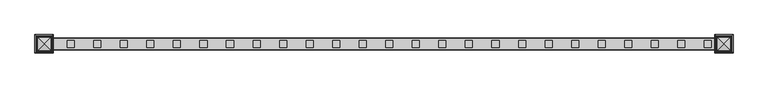
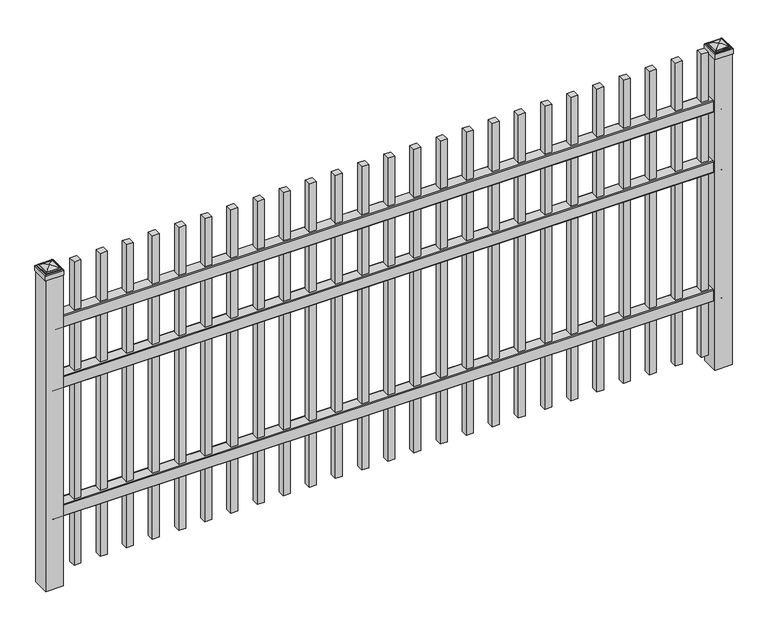
"""IFC4 building model written with IfcOpenShell, lengths in millimetres: railing geometry."""

from ifc_helpers import new_model, si_unit, point, frame, frame_2d, origin, origin_with_axes, place, context, project, spatial, polyline, circle_curve, ellipse_curve, trimmed, segment, composite_curve, outline, extrude, source, transform, mapped, element, save
from ifc_brep_helpers import plane_surface, cylinder_surface, advanced_brep


def railing_751b38dd(model_context):
    return source(origin(), model_context, "Body", "SolidModel", [
        extrude(outline(composite_curve([segment(polyline([(13397.9139761, 304.8), (13435.969541, 304.8)]), True, "CONTINUOUS"), segment(trimmed(circle_curve(frame_2d((13435.969541, 301.625)), 3.175), [point((13435.969541, 304.8))], [point((13439.144541, 301.625))], False, "CARTESIAN"), True, "CONTINUOUS"), segment(polyline([(13439.144541, 301.625), (13439.144541, 262.1439893)]), True, "CONTINUOUS"), segment(trimmed(circle_curve(frame_2d((13437.3505518, 262.1439893)), 1.7939893), [point((13439.144541, 262.1439893))], [point((13437.3505518, 260.35))], False, "CARTESIAN"), True, "CONTINUOUS"), segment(polyline([(13437.3505518, 260.35), (13434.7590713, 260.35)]), True, "CONTINUOUS"), segment(trimmed(circle_curve(frame_2d((13434.7590713, 262.1359375)), 1.7859375), [point((13434.7590713, 260.35))], [point((13432.9755813, 262.0424688))], False, "CARTESIAN"), True, "CONTINUOUS"), segment(polyline([(13432.9755813, 262.0424688), (13431.4025867, 292.0569942), (13402.4364954, 292.0569942), (13400.8635007, 262.0424688)]), True, "CONTINUOUS"), segment(trimmed(circle_curve(frame_2d((13399.0800108, 262.1359375)), 1.7859375), [point((13400.8635007, 262.0424688))], [point((13399.0800108, 260.35))], False, "CARTESIAN"), True, "CONTINUOUS"), segment(polyline([(13399.0800108, 260.35), (13396.4804785, 260.35)]), True, "CONTINUOUS"), segment(trimmed(circle_curve(frame_2d((13396.4804785, 262.1359375)), 1.7859375), [point((13396.4804785, 260.35))], [point((13394.694541, 262.1359375))], False, "CARTESIAN"), True, "CONTINUOUS"), segment(polyline([(13394.694541, 262.1359375), (13394.694541, 301.5805649)]), True, "CONTINUOUS"), segment(trimmed(circle_curve(frame_2d((13397.9139761, 301.5805649)), 3.2194351), [point((13394.694541, 301.5805649))], [point((13397.9139761, 304.8))], False, "CARTESIAN"), True, "CONTINUOUS")], self_intersect=False)), frame((6913.3350064, 0.0, 0.0), z_axis=(1.0, 0.0, 0.0), x_axis=(0.0, 1.0, 0.0)), (0.0, 0.0, 1.0), 2438.4),
        extrude(outline(composite_curve([segment(polyline([(13397.9139761, 800.1), (13435.969541, 800.1)]), True, "CONTINUOUS"), segment(trimmed(circle_curve(frame_2d((13435.969541, 796.925)), 3.175), [point((13435.969541, 800.1))], [point((13439.144541, 796.925))], False, "CARTESIAN"), True, "CONTINUOUS"), segment(polyline([(13439.144541, 796.925), (13439.144541, 757.4439893)]), True, "CONTINUOUS"), segment(trimmed(circle_curve(frame_2d((13437.3505518, 757.4439893)), 1.7939893), [point((13439.144541, 757.4439893))], [point((13437.3505518, 755.65))], False, "CARTESIAN"), True, "CONTINUOUS"), segment(polyline([(13437.3505518, 755.65), (13434.7590713, 755.65)]), True, "CONTINUOUS"), segment(trimmed(circle_curve(frame_2d((13434.7590713, 757.4359375)), 1.7859375), [point((13434.7590713, 755.65))], [point((13432.9755813, 757.3424688))], False, "CARTESIAN"), True, "CONTINUOUS"), segment(polyline([(13432.9755813, 757.3424688), (13431.4025867, 787.3569942), (13402.4364954, 787.3569942), (13400.8635007, 757.3424688)]), True, "CONTINUOUS"), segment(trimmed(circle_curve(frame_2d((13399.0800108, 757.4359375)), 1.7859375), [point((13400.8635007, 757.3424688))], [point((13399.0800108, 755.65))], False, "CARTESIAN"), True, "CONTINUOUS"), segment(polyline([(13399.0800108, 755.65), (13396.4804785, 755.65)]), True, "CONTINUOUS"), segment(trimmed(circle_curve(frame_2d((13396.4804785, 757.4359375)), 1.7859375), [point((13396.4804785, 755.65))], [point((13394.694541, 757.4359375))], False, "CARTESIAN"), True, "CONTINUOUS"), segment(polyline([(13394.694541, 757.4359375), (13394.694541, 796.8805649)]), True, "CONTINUOUS"), segment(trimmed(circle_curve(frame_2d((13397.9139761, 796.8805649)), 3.2194351), [point((13394.694541, 796.8805649))], [point((13397.9139761, 800.1))], False, "CARTESIAN"), True, "CONTINUOUS")], self_intersect=False)), frame((6913.3350064, 0.0, 0.0), z_axis=(1.0, 0.0, 0.0), x_axis=(0.0, 1.0, 0.0)), (0.0, 0.0, 1.0), 2438.4),
        extrude(outline(composite_curve([segment(polyline([(13397.9139761, 1033.4625), (13435.969541, 1033.4625)]), True, "CONTINUOUS"), segment(trimmed(circle_curve(frame_2d((13435.969541, 1030.2875)), 3.175), [point((13435.969541, 1033.4625))], [point((13439.144541, 1030.2875))], False, "CARTESIAN"), True, "CONTINUOUS"), segment(polyline([(13439.144541, 1030.2875), (13439.144541, 990.8064893)]), True, "CONTINUOUS"), segment(trimmed(circle_curve(frame_2d((13437.3505518, 990.8064893)), 1.7939893), [point((13439.144541, 990.8064893))], [point((13437.3505518, 989.0125))], False, "CARTESIAN"), True, "CONTINUOUS"), segment(polyline([(13437.3505518, 989.0125), (13434.7590713, 989.0125)]), True, "CONTINUOUS"), segment(trimmed(circle_curve(frame_2d((13434.7590713, 990.7984375)), 1.7859375), [point((13434.7590713, 989.0125))], [point((13432.9755813, 990.7049688))], False, "CARTESIAN"), True, "CONTINUOUS"), segment(polyline([(13432.9755813, 990.7049688), (13431.4025867, 1020.7194942), (13402.4364954, 1020.7194942), (13400.8635007, 990.7049688)]), True, "CONTINUOUS"), segment(trimmed(circle_curve(frame_2d((13399.0800108, 990.7984375)), 1.7859375), [point((13400.8635007, 990.7049688))], [point((13399.0800108, 989.0125))], False, "CARTESIAN"), True, "CONTINUOUS"), segment(polyline([(13399.0800108, 989.0125), (13396.4804785, 989.0125)]), True, "CONTINUOUS"), segment(trimmed(circle_curve(frame_2d((13396.4804785, 990.7984375)), 1.7859375), [point((13396.4804785, 989.0125))], [point((13394.694541, 990.7984375))], False, "CARTESIAN"), True, "CONTINUOUS"), segment(polyline([(13394.694541, 990.7984375), (13394.694541, 1030.2430649)]), True, "CONTINUOUS"), segment(trimmed(circle_curve(frame_2d((13397.9139761, 1030.2430649)), 3.2194351), [point((13394.694541, 1030.2430649))], [point((13397.9139761, 1033.4625))], False, "CARTESIAN"), True, "CONTINUOUS")], self_intersect=False)), frame((6913.3350064, 0.0, 0.0), z_axis=(1.0, 0.0, 0.0), x_axis=(0.0, 1.0, 0.0)), (0.0, 0.0, 1.0), 2438.4),
        extrude(outline(polyline([(9281.8850064, 13429.619541), (9307.2850064, 13429.619541), (9307.2850064, 13404.219541), (9281.8850064, 13404.219541), (9281.8850064, 13429.619541)])), frame((0.0, 0.0, 50.8), z_axis=(0.0, 0.0, 1.0), x_axis=(1.0, 0.0, 0.0)), (0.0, 0.0, 1.0), 1168.4),
        extrude(outline(polyline([(9186.6350064, 13429.619541), (9212.0350064, 13429.619541), (9212.0350064, 13404.219541), (9186.6350064, 13404.219541), (9186.6350064, 13429.619541)])), frame((0.0, 0.0, 50.8), z_axis=(0.0, 0.0, 1.0), x_axis=(1.0, 0.0, 0.0)), (0.0, 0.0, 1.0), 1168.4),
        extrude(outline(polyline([(9091.3850064, 13429.619541), (9116.7850064, 13429.619541), (9116.7850064, 13404.219541), (9091.3850064, 13404.219541), (9091.3850064, 13429.619541)])), frame((0.0, 0.0, 50.8), z_axis=(0.0, 0.0, 1.0), x_axis=(1.0, 0.0, 0.0)), (0.0, 0.0, 1.0), 1168.4),
        extrude(outline(polyline([(8996.1350064, 13429.619541), (9021.5350064, 13429.619541), (9021.5350064, 13404.219541), (8996.1350064, 13404.219541), (8996.1350064, 13429.619541)])), frame((0.0, 0.0, 50.8), z_axis=(0.0, 0.0, 1.0), x_axis=(1.0, 0.0, 0.0)), (0.0, 0.0, 1.0), 1168.4),
        extrude(outline(polyline([(8900.8850064, 13429.619541), (8926.2850064, 13429.619541), (8926.2850064, 13404.219541), (8900.8850064, 13404.219541), (8900.8850064, 13429.619541)])), frame((0.0, 0.0, 50.8), z_axis=(0.0, 0.0, 1.0), x_axis=(1.0, 0.0, 0.0)), (0.0, 0.0, 1.0), 1168.4),
        extrude(outline(polyline([(8805.6350064, 13429.619541), (8831.0350064, 13429.619541), (8831.0350064, 13404.219541), (8805.6350064, 13404.219541), (8805.6350064, 13429.619541)])), frame((0.0, 0.0, 50.8), z_axis=(0.0, 0.0, 1.0), x_axis=(1.0, 0.0, 0.0)), (0.0, 0.0, 1.0), 1168.4),
        extrude(outline(polyline([(8710.3850064, 13429.619541), (8735.7850064, 13429.619541), (8735.7850064, 13404.219541), (8710.3850064, 13404.219541), (8710.3850064, 13429.619541)])), frame((0.0, 0.0, 50.8), z_axis=(0.0, 0.0, 1.0), x_axis=(1.0, 0.0, 0.0)), (0.0, 0.0, 1.0), 1168.4),
        extrude(outline(polyline([(8615.1350064, 13429.619541), (8640.5350064, 13429.619541), (8640.5350064, 13404.219541), (8615.1350064, 13404.219541), (8615.1350064, 13429.619541)])), frame((0.0, 0.0, 50.8), z_axis=(0.0, 0.0, 1.0), x_axis=(1.0, 0.0, 0.0)), (0.0, 0.0, 1.0), 1168.4),
        extrude(outline(polyline([(8519.8850064, 13429.619541), (8545.2850064, 13429.619541), (8545.2850064, 13404.219541), (8519.8850064, 13404.219541), (8519.8850064, 13429.619541)])), frame((0.0, 0.0, 50.8), z_axis=(0.0, 0.0, 1.0), x_axis=(1.0, 0.0, 0.0)), (0.0, 0.0, 1.0), 1168.4),
        extrude(outline(polyline([(8424.6350064, 13429.619541), (8450.0350064, 13429.619541), (8450.0350064, 13404.219541), (8424.6350064, 13404.219541), (8424.6350064, 13429.619541)])), frame((0.0, 0.0, 50.8), z_axis=(0.0, 0.0, 1.0), x_axis=(1.0, 0.0, 0.0)), (0.0, 0.0, 1.0), 1168.4),
        extrude(outline(polyline([(8329.3850064, 13429.619541), (8354.7850064, 13429.619541), (8354.7850064, 13404.219541), (8329.3850064, 13404.219541), (8329.3850064, 13429.619541)])), frame((0.0, 0.0, 50.8), z_axis=(0.0, 0.0, 1.0), x_axis=(1.0, 0.0, 0.0)), (0.0, 0.0, 1.0), 1168.4),
        extrude(outline(polyline([(8234.1350064, 13429.619541), (8259.5350064, 13429.619541), (8259.5350064, 13404.219541), (8234.1350064, 13404.219541), (8234.1350064, 13429.619541)])), frame((0.0, 0.0, 50.8), z_axis=(0.0, 0.0, 1.0), x_axis=(1.0, 0.0, 0.0)), (0.0, 0.0, 1.0), 1168.4),
        extrude(outline(polyline([(8138.8850064, 13429.619541), (8164.2850064, 13429.619541), (8164.2850064, 13404.219541), (8138.8850064, 13404.219541), (8138.8850064, 13429.619541)])), frame((0.0, 0.0, 50.8), z_axis=(0.0, 0.0, 1.0), x_axis=(1.0, 0.0, 0.0)), (0.0, 0.0, 1.0), 1168.4),
        extrude(outline(polyline([(8043.6350064, 13429.619541), (8069.0350064, 13429.619541), (8069.0350064, 13404.219541), (8043.6350064, 13404.219541), (8043.6350064, 13429.619541)])), frame((0.0, 0.0, 50.8), z_axis=(0.0, 0.0, 1.0), x_axis=(1.0, 0.0, 0.0)), (0.0, 0.0, 1.0), 1168.4),
        extrude(outline(polyline([(7948.3850064, 13429.619541), (7973.7850064, 13429.619541), (7973.7850064, 13404.219541), (7948.3850064, 13404.219541), (7948.3850064, 13429.619541)])), frame((0.0, 0.0, 50.8), z_axis=(0.0, 0.0, 1.0), x_axis=(1.0, 0.0, 0.0)), (0.0, 0.0, 1.0), 1168.4),
        extrude(outline(polyline([(7853.1350064, 13429.619541), (7878.5350064, 13429.619541), (7878.5350064, 13404.219541), (7853.1350064, 13404.219541), (7853.1350064, 13429.619541)])), frame((0.0, 0.0, 50.8), z_axis=(0.0, 0.0, 1.0), x_axis=(1.0, 0.0, 0.0)), (0.0, 0.0, 1.0), 1168.4),
        extrude(outline(polyline([(7757.8850064, 13429.619541), (7783.2850064, 13429.619541), (7783.2850064, 13404.219541), (7757.8850064, 13404.219541), (7757.8850064, 13429.619541)])), frame((0.0, 0.0, 50.8), z_axis=(0.0, 0.0, 1.0), x_axis=(1.0, 0.0, 0.0)), (0.0, 0.0, 1.0), 1168.4),
        extrude(outline(polyline([(7662.6350064, 13429.619541), (7688.0350064, 13429.619541), (7688.0350064, 13404.219541), (7662.6350064, 13404.219541), (7662.6350064, 13429.619541)])), frame((0.0, 0.0, 50.8), z_axis=(0.0, 0.0, 1.0), x_axis=(1.0, 0.0, 0.0)), (0.0, 0.0, 1.0), 1168.4),
        extrude(outline(polyline([(7567.3850064, 13429.619541), (7592.7850064, 13429.619541), (7592.7850064, 13404.219541), (7567.3850064, 13404.219541), (7567.3850064, 13429.619541)])), frame((0.0, 0.0, 50.8), z_axis=(0.0, 0.0, 1.0), x_axis=(1.0, 0.0, 0.0)), (0.0, 0.0, 1.0), 1168.4),
        extrude(outline(polyline([(7472.1350064, 13429.619541), (7497.5350064, 13429.619541), (7497.5350064, 13404.219541), (7472.1350064, 13404.219541), (7472.1350064, 13429.619541)])), frame((0.0, 0.0, 50.8), z_axis=(0.0, 0.0, 1.0), x_axis=(1.0, 0.0, 0.0)), (0.0, 0.0, 1.0), 1168.4),
        extrude(outline(polyline([(7376.8850064, 13429.619541), (7402.2850064, 13429.619541), (7402.2850064, 13404.219541), (7376.8850064, 13404.219541), (7376.8850064, 13429.619541)])), frame((0.0, 0.0, 50.8), z_axis=(0.0, 0.0, 1.0), x_axis=(1.0, 0.0, 0.0)), (0.0, 0.0, 1.0), 1168.4),
        extrude(outline(polyline([(7281.6350064, 13429.619541), (7307.0350064, 13429.619541), (7307.0350064, 13404.219541), (7281.6350064, 13404.219541), (7281.6350064, 13429.619541)])), frame((0.0, 0.0, 50.8), z_axis=(0.0, 0.0, 1.0), x_axis=(1.0, 0.0, 0.0)), (0.0, 0.0, 1.0), 1168.4),
        extrude(outline(polyline([(7186.3850064, 13429.619541), (7211.7850064, 13429.619541), (7211.7850064, 13404.219541), (7186.3850064, 13404.219541), (7186.3850064, 13429.619541)])), frame((0.0, 0.0, 50.8), z_axis=(0.0, 0.0, 1.0), x_axis=(1.0, 0.0, 0.0)), (0.0, 0.0, 1.0), 1168.4),
        extrude(outline(polyline([(7091.1350064, 13429.619541), (7116.5350064, 13429.619541), (7116.5350064, 13404.219541), (7091.1350064, 13404.219541), (7091.1350064, 13429.619541)])), frame((0.0, 0.0, 50.8), z_axis=(0.0, 0.0, 1.0), x_axis=(1.0, 0.0, 0.0)), (0.0, 0.0, 1.0), 1168.4),
        extrude(outline(polyline([(6995.8850064, 13429.619541), (7021.2850064, 13429.619541), (7021.2850064, 13404.219541), (6995.8850064, 13404.219541), (6995.8850064, 13429.619541)])), frame((0.0, 0.0, 50.8), z_axis=(0.0, 0.0, 1.0), x_axis=(1.0, 0.0, 0.0)), (0.0, 0.0, 1.0), 1168.4),
        extrude(outline(polyline([(9383.4850064, 13448.669541), (9383.4850064, 13385.169541), (9319.9850064, 13385.169541), (9319.9850064, 13448.669541), (9383.4850064, 13448.669541)])), origin_with_axes(), (0.0, 0.0, 1.0), 1198.5625),
        advanced_brep(
        [(9318.3975064, 13450.257041, 1216.81875), (9318.3975064, 13450.257041, 1198.5625), (9318.3975064, 13383.582041, 1198.5625), (9318.3975064, 13383.582041, 1216.81875), (9320.7787564, 13447.875791, 1219.2), (9320.7787564, 13385.963291, 1219.2), (9323.1600064, 13445.494541, 1221.58125), (9323.1600064, 13445.494541, 1219.2), (9323.1600064, 13388.344541, 1219.2), (9323.1600064, 13388.344541, 1221.58125), (9325.5412564, 13443.113291, 1223.9625), (9325.5412564, 13390.725791, 1223.9625), (9351.7350064, 13416.919541, 1230.3125), (9327.9225064, 13440.732041, 1223.9625), (9327.9225064, 13393.107041, 1223.9625), (9385.0725064, 13383.582041, 1198.5625), (9385.0725064, 13383.582041, 1216.81875), (9382.6912564, 13385.963291, 1219.2), (9380.3100064, 13388.344541, 1219.2), (9380.3100064, 13388.344541, 1221.58125), (9377.9287564, 13390.725791, 1223.9625), (9375.5475064, 13393.107041, 1223.9625), (9385.0725064, 13450.257041, 1198.5625), (9385.0725064, 13450.257041, 1216.81875), (9382.6912564, 13447.875791, 1219.2), (9380.3100064, 13445.494541, 1219.2), (9380.3100064, 13445.494541, 1221.58125), (9377.9287564, 13443.113291, 1223.9625), (9375.5475064, 13440.732041, 1223.9625)],
        [
            (0, 1),
            (1, 2),
            (2, 3),
            (3, 0),
            (4, 0, ellipse_curve(frame((9320.7787564, 13447.875791, 1216.81875), z_axis=(-0.70710678118655, -0.7071067811865449, 0.0), x_axis=(-0.7071067811865448, 0.7071067811865501, 0.0)), 3.367596, 2.38125)),
            (3, 5, ellipse_curve(frame((9320.7787564, 13385.963291, 1216.81875), z_axis=(-0.7071067811865449, 0.70710678118655, 0.0), x_axis=(0.7071067811865499, 0.707106781186545, 0.0)), 3.367596, 2.38125)),
            (5, 4),
            (6, 7),
            (7, 8),
            (8, 9),
            (9, 6),
            (10, 6, ellipse_curve(frame((9325.5412564, 13443.113291, 1221.58125), z_axis=(-0.70710678118655, -0.7071067811865449, 0.0), x_axis=(-0.7071067811865448, 0.7071067811865501, 0.0)), 3.367596, 2.38125)),
            (9, 11, ellipse_curve(frame((9325.5412564, 13390.725791, 1221.58125), z_axis=(-0.7071067811865449, 0.70710678118655, 0.0), x_axis=(0.7071067811865499, 0.707106781186545, 0.0)), 3.367596, 2.38125)),
            (11, 10),
            (12, 13, ellipse_curve(frame((9351.7350064, 13416.919541, 1182.4890625), z_axis=(-0.70710678118655, -0.7071067811865449, 0.0), x_axis=(-0.7071067811865448, 0.7071067811865501, 0.0)), 67.6325539, 47.8234375)),
            (13, 14),
            (14, 12, ellipse_curve(frame((9351.7350064, 13416.919541, 1182.4890625), z_axis=(-0.7071067811865449, 0.70710678118655, 0.0), x_axis=(0.7071067811865499, 0.707106781186545, 0.0)), 67.6325539, 47.8234375)),
            (2, 15),
            (15, 16),
            (16, 3),
            (16, 17, ellipse_curve(frame((9382.6912564, 13385.963291, 1216.81875), z_axis=(-0.70710678118655, -0.707106781186545, 0.0), x_axis=(-0.707106781186545, 0.70710678118655, 0.0)), 3.367596, 2.38125)),
            (17, 5),
            (8, 18),
            (18, 19),
            (19, 9),
            (19, 20, ellipse_curve(frame((9377.9287564, 13390.725791, 1221.58125), z_axis=(-0.70710678118655, -0.707106781186545, 0.0), x_axis=(-0.707106781186545, 0.70710678118655, 0.0)), 3.367596, 2.38125)),
            (20, 11),
            (14, 21),
            (21, 12, ellipse_curve(frame((9351.7350064, 13416.919541, 1182.4890625), z_axis=(-0.70710678118655, -0.707106781186545, 0.0), x_axis=(-0.707106781186545, 0.70710678118655, 0.0)), 67.6325539, 47.8234375)),
            (15, 22),
            (22, 23),
            (23, 16),
            (23, 24, ellipse_curve(frame((9382.6912564, 13447.875791, 1216.81875), z_axis=(0.707106781186545, -0.7071067811865499, 0.0), x_axis=(-0.7071067811865497, -0.7071067811865452, 0.0)), 3.367596, 2.38125)),
            (24, 17),
            (18, 25),
            (25, 26),
            (26, 19),
            (26, 27, ellipse_curve(frame((9377.9287564, 13443.113291, 1221.58125), z_axis=(0.707106781186545, -0.7071067811865499, 0.0), x_axis=(-0.7071067811865497, -0.7071067811865452, 0.0)), 3.367596, 2.38125)),
            (27, 20),
            (21, 28),
            (28, 12, ellipse_curve(frame((9351.7350064, 13416.919541, 1182.4890625), z_axis=(0.707106781186545, -0.7071067811865499, 0.0), x_axis=(-0.7071067811865497, -0.7071067811865452, 0.0)), 67.6325539, 47.8234375)),
            (22, 1),
            (0, 23),
            (4, 24),
            (7, 25),
            (6, 26),
            (10, 27),
            (13, 28),
        ],
        [
            plane_surface(frame((9318.3975064, 13450.257041, 1198.5625), z_axis=(-1.0, 0.0, 0.0), x_axis=(0.0, -1.0, 0.0))),
            cylinder_surface(frame((9320.7787564, 13448.669541, 1216.81875), z_axis=(0.0, 1.0, 0.0), x_axis=(1.0, 0.0, 0.0)), 2.38125),
            plane_surface(frame((9323.1600064, 13445.494541, 1219.2), z_axis=(-1.0, 0.0, 0.0), x_axis=(0.0, -1.0, 0.0))),
            cylinder_surface(frame((9325.5412564, 13448.669541, 1221.58125), z_axis=(0.0, 1.0, 0.0), x_axis=(1.0, 0.0, 0.0)), 2.38125),
            cylinder_surface(frame((9351.7350064, 13448.669541, 1182.4890625), z_axis=(0.0, 1.0, 0.0), x_axis=(1.0, 0.0, 0.0)), 47.8234375),
            plane_surface(frame((9318.3975064, 13383.582041, 1198.5625), z_axis=(0.0, -1.0, 0.0), x_axis=(1.0, 0.0, 0.0))),
            cylinder_surface(frame((9319.9850064, 13385.963291, 1216.81875), z_axis=(-1.0, 0.0, 0.0), x_axis=(0.0, 1.0, 0.0)), 2.38125),
            plane_surface(frame((9323.1600064, 13388.344541, 1219.2), z_axis=(0.0, -1.0, 0.0), x_axis=(1.0, 0.0, 0.0))),
            cylinder_surface(frame((9319.9850064, 13390.725791, 1221.58125), z_axis=(-1.0, 0.0, 0.0), x_axis=(0.0, 1.0, 0.0)), 2.38125),
            cylinder_surface(frame((9319.9850064, 13416.919541, 1182.4890625), z_axis=(-1.0, 0.0, 0.0), x_axis=(0.0, 1.0, 0.0)), 47.8234375),
            plane_surface(frame((9385.0725064, 13383.582041, 1198.5625), z_axis=(1.0, 0.0, 0.0), x_axis=(0.0, 1.0, 0.0))),
            cylinder_surface(frame((9382.6912564, 13385.169541, 1216.81875), z_axis=(0.0, -1.0, 0.0), x_axis=(-1.0, 0.0, 0.0)), 2.38125),
            plane_surface(frame((9380.3100064, 13388.344541, 1219.2), z_axis=(1.0, 0.0, 0.0), x_axis=(0.0, 1.0, 0.0))),
            cylinder_surface(frame((9377.9287564, 13385.169541, 1221.58125), z_axis=(0.0, -1.0, 0.0), x_axis=(-1.0, 0.0, 0.0)), 2.38125),
            cylinder_surface(frame((9351.7350064, 13385.169541, 1182.4890625), z_axis=(0.0, -1.0, 0.0), x_axis=(-1.0, 0.0, 0.0)), 47.8234375),
            plane_surface(frame((9385.0725064, 13450.257041, 1198.5625), z_axis=(0.0, 1.0, 0.0), x_axis=(-1.0, 0.0, 0.0))),
            cylinder_surface(frame((9383.4850064, 13447.875791, 1216.81875), z_axis=(1.0, 0.0, 0.0), x_axis=(0.0, -1.0, 0.0)), 2.38125),
            plane_surface(frame((9382.6912564, 13447.875791, 1219.2), z_axis=(0.0, 0.0, 1.0), x_axis=(-1.0, 0.0, 0.0))),
            plane_surface(frame((9380.3100064, 13445.494541, 1219.2), z_axis=(0.0, 1.0, 0.0), x_axis=(-1.0, 0.0, 0.0))),
            cylinder_surface(frame((9383.4850064, 13443.113291, 1221.58125), z_axis=(1.0, 0.0, 0.0), x_axis=(0.0, -1.0, 0.0)), 2.38125),
            plane_surface(frame((9377.9287564, 13443.113291, 1223.9625), z_axis=(0.0, 0.0, 1.0), x_axis=(-1.0, 0.0, 0.0))),
            cylinder_surface(frame((9383.4850064, 13416.919541, 1182.4890625), z_axis=(1.0, 0.0, 0.0), x_axis=(0.0, -1.0, 0.0)), 47.8234375),
            plane_surface(frame((9351.7350064, 13416.919541, 1198.5625), z_axis=(0.0, 0.0, -1.0), x_axis=(-1.0, 0.0, 0.0))),
        ],
        [
            (0, [[1, 2, 3, 4]]),
            (1, [[5, -4, 6, 7]]),
            (2, [[8, 9, 10, 11]]),
            (3, [[12, -11, 13, 14]]),
            (4, [[15, 16, 17]]),
            (5, [[-3, 18, 19, 20]]),
            (6, [[-6, -20, 21, 22]]),
            (7, [[-10, 23, 24, 25]]),
            (8, [[-13, -25, 26, 27]]),
            (9, [[-17, 28, 29]]),
            (10, [[-19, 30, 31, 32]]),
            (11, [[-21, -32, 33, 34]]),
            (12, [[-24, 35, 36, 37]]),
            (13, [[-26, -37, 38, 39]]),
            (14, [[-29, 40, 41]]),
            (15, [[-31, 42, -1, 43]]),
            (16, [[-33, -43, -5, 44]]),
            (17, [[-22, -34, -44, -7], [45, -35, -23, -9]]),
            (18, [[-36, -45, -8, 46]]),
            (19, [[-38, -46, -12, 47]]),
            (20, [[-27, -39, -47, -14], [48, -40, -28, -16]]),
            (21, [[-41, -48, -15]]),
            (22, [[-42, -30, -18, -2]]),
        ],
    ),
        extrude(outline(polyline([(6945.0850064, 13448.669541), (6945.0850064, 13385.169541), (6881.5850064, 13385.169541), (6881.5850064, 13448.669541), (6945.0850064, 13448.669541)])), origin_with_axes(), (0.0, 0.0, 1.0), 1198.5625),
        advanced_brep(
        [(6879.9975064, 13450.257041, 1216.81875), (6879.9975064, 13450.257041, 1198.5625), (6879.9975064, 13383.582041, 1198.5625), (6879.9975064, 13383.582041, 1216.81875), (6882.3787564, 13447.875791, 1219.2), (6882.3787564, 13385.963291, 1219.2), (6884.7600064, 13445.494541, 1221.58125), (6884.7600064, 13445.494541, 1219.2), (6884.7600064, 13388.344541, 1219.2), (6884.7600064, 13388.344541, 1221.58125), (6887.1412564, 13443.113291, 1223.9625), (6887.1412564, 13390.725791, 1223.9625), (6913.3350064, 13416.919541, 1230.3125), (6889.5225064, 13440.732041, 1223.9625), (6889.5225064, 13393.107041, 1223.9625), (6946.6725064, 13383.582041, 1198.5625), (6946.6725064, 13383.582041, 1216.81875), (6944.2912564, 13385.963291, 1219.2), (6941.9100064, 13388.344541, 1219.2), (6941.9100064, 13388.344541, 1221.58125), (6939.5287564, 13390.725791, 1223.9625), (6937.1475064, 13393.107041, 1223.9625), (6946.6725064, 13450.257041, 1198.5625), (6946.6725064, 13450.257041, 1216.81875), (6944.2912564, 13447.875791, 1219.2), (6941.9100064, 13445.494541, 1219.2), (6941.9100064, 13445.494541, 1221.58125), (6939.5287564, 13443.113291, 1223.9625), (6937.1475064, 13440.732041, 1223.9625)],
        [
            (0, 1),
            (1, 2),
            (2, 3),
            (3, 0),
            (4, 0, ellipse_curve(frame((6882.3787564, 13447.875791, 1216.81875), z_axis=(-0.70710678118655, -0.7071067811865449, 0.0), x_axis=(-0.7071067811865448, 0.7071067811865501, 0.0)), 3.367596, 2.38125)),
            (3, 5, ellipse_curve(frame((6882.3787564, 13385.963291, 1216.81875), z_axis=(-0.7071067811865449, 0.70710678118655, 0.0), x_axis=(0.7071067811865499, 0.707106781186545, 0.0)), 3.367596, 2.38125)),
            (5, 4),
            (6, 7),
            (7, 8),
            (8, 9),
            (9, 6),
            (10, 6, ellipse_curve(frame((6887.1412564, 13443.113291, 1221.58125), z_axis=(-0.70710678118655, -0.7071067811865449, 0.0), x_axis=(-0.7071067811865448, 0.7071067811865501, 0.0)), 3.367596, 2.38125)),
            (9, 11, ellipse_curve(frame((6887.1412564, 13390.725791, 1221.58125), z_axis=(-0.7071067811865449, 0.70710678118655, 0.0), x_axis=(0.7071067811865499, 0.707106781186545, 0.0)), 3.367596, 2.38125)),
            (11, 10),
            (12, 13, ellipse_curve(frame((6913.3350064, 13416.919541, 1182.4890625), z_axis=(-0.70710678118655, -0.7071067811865449, 0.0), x_axis=(-0.7071067811865448, 0.7071067811865501, 0.0)), 67.6325539, 47.8234375)),
            (13, 14),
            (14, 12, ellipse_curve(frame((6913.3350064, 13416.919541, 1182.4890625), z_axis=(-0.7071067811865449, 0.70710678118655, 0.0), x_axis=(0.7071067811865499, 0.707106781186545, 0.0)), 67.6325539, 47.8234375)),
            (2, 15),
            (15, 16),
            (16, 3),
            (16, 17, ellipse_curve(frame((6944.2912564, 13385.963291, 1216.81875), z_axis=(-0.70710678118655, -0.707106781186545, 0.0), x_axis=(-0.707106781186545, 0.70710678118655, 0.0)), 3.367596, 2.38125)),
            (17, 5),
            (8, 18),
            (18, 19),
            (19, 9),
            (19, 20, ellipse_curve(frame((6939.5287564, 13390.725791, 1221.58125), z_axis=(-0.70710678118655, -0.707106781186545, 0.0), x_axis=(-0.707106781186545, 0.70710678118655, 0.0)), 3.367596, 2.38125)),
            (20, 11),
            (14, 21),
            (21, 12, ellipse_curve(frame((6913.3350064, 13416.919541, 1182.4890625), z_axis=(-0.70710678118655, -0.707106781186545, 0.0), x_axis=(-0.707106781186545, 0.70710678118655, 0.0)), 67.6325539, 47.8234375)),
            (15, 22),
            (22, 23),
            (23, 16),
            (23, 24, ellipse_curve(frame((6944.2912564, 13447.875791, 1216.81875), z_axis=(0.707106781186545, -0.7071067811865499, 0.0), x_axis=(-0.7071067811865497, -0.7071067811865452, 0.0)), 3.367596, 2.38125)),
            (24, 17),
            (18, 25),
            (25, 26),
            (26, 19),
            (26, 27, ellipse_curve(frame((6939.5287564, 13443.113291, 1221.58125), z_axis=(0.707106781186545, -0.7071067811865499, 0.0), x_axis=(-0.7071067811865497, -0.7071067811865452, 0.0)), 3.367596, 2.38125)),
            (27, 20),
            (21, 28),
            (28, 12, ellipse_curve(frame((6913.3350064, 13416.919541, 1182.4890625), z_axis=(0.707106781186545, -0.7071067811865499, 0.0), x_axis=(-0.7071067811865497, -0.7071067811865452, 0.0)), 67.6325539, 47.8234375)),
            (22, 1),
            (0, 23),
            (4, 24),
            (7, 25),
            (6, 26),
            (10, 27),
            (13, 28),
        ],
        [
            plane_surface(frame((6879.9975064, 13450.257041, 1198.5625), z_axis=(-1.0, 0.0, 0.0), x_axis=(0.0, -1.0, 0.0))),
            cylinder_surface(frame((6882.3787564, 13448.669541, 1216.81875), z_axis=(0.0, 1.0, 0.0), x_axis=(1.0, 0.0, 0.0)), 2.38125),
            plane_surface(frame((6884.7600064, 13445.494541, 1219.2), z_axis=(-1.0, 0.0, 0.0), x_axis=(0.0, -1.0, 0.0))),
            cylinder_surface(frame((6887.1412564, 13448.669541, 1221.58125), z_axis=(0.0, 1.0, 0.0), x_axis=(1.0, 0.0, 0.0)), 2.38125),
            cylinder_surface(frame((6913.3350064, 13448.669541, 1182.4890625), z_axis=(0.0, 1.0, 0.0), x_axis=(1.0, 0.0, 0.0)), 47.8234375),
            plane_surface(frame((6879.9975064, 13383.582041, 1198.5625), z_axis=(0.0, -1.0, 0.0), x_axis=(1.0, 0.0, 0.0))),
            cylinder_surface(frame((6881.5850064, 13385.963291, 1216.81875), z_axis=(-1.0, 0.0, 0.0), x_axis=(0.0, 1.0, 0.0)), 2.38125),
            plane_surface(frame((6884.7600064, 13388.344541, 1219.2), z_axis=(0.0, -1.0, 0.0), x_axis=(1.0, 0.0, 0.0))),
            cylinder_surface(frame((6881.5850064, 13390.725791, 1221.58125), z_axis=(-1.0, 0.0, 0.0), x_axis=(0.0, 1.0, 0.0)), 2.38125),
            cylinder_surface(frame((6881.5850064, 13416.919541, 1182.4890625), z_axis=(-1.0, 0.0, 0.0), x_axis=(0.0, 1.0, 0.0)), 47.8234375),
            plane_surface(frame((6946.6725064, 13383.582041, 1198.5625), z_axis=(1.0, 0.0, 0.0), x_axis=(0.0, 1.0, 0.0))),
            cylinder_surface(frame((6944.2912564, 13385.169541, 1216.81875), z_axis=(0.0, -1.0, 0.0), x_axis=(-1.0, 0.0, 0.0)), 2.38125),
            plane_surface(frame((6941.9100064, 13388.344541, 1219.2), z_axis=(1.0, 0.0, 0.0), x_axis=(0.0, 1.0, 0.0))),
            cylinder_surface(frame((6939.5287564, 13385.169541, 1221.58125), z_axis=(0.0, -1.0, 0.0), x_axis=(-1.0, 0.0, 0.0)), 2.38125),
            cylinder_surface(frame((6913.3350064, 13385.169541, 1182.4890625), z_axis=(0.0, -1.0, 0.0), x_axis=(-1.0, 0.0, 0.0)), 47.8234375),
            plane_surface(frame((6946.6725064, 13450.257041, 1198.5625), z_axis=(0.0, 1.0, 0.0), x_axis=(-1.0, 0.0, 0.0))),
            cylinder_surface(frame((6945.0850064, 13447.875791, 1216.81875), z_axis=(1.0, 0.0, 0.0), x_axis=(0.0, -1.0, 0.0)), 2.38125),
            plane_surface(frame((6944.2912564, 13447.875791, 1219.2), z_axis=(0.0, 0.0, 1.0), x_axis=(-1.0, 0.0, 0.0))),
            plane_surface(frame((6941.9100064, 13445.494541, 1219.2), z_axis=(0.0, 1.0, 0.0), x_axis=(-1.0, 0.0, 0.0))),
            cylinder_surface(frame((6945.0850064, 13443.113291, 1221.58125), z_axis=(1.0, 0.0, 0.0), x_axis=(0.0, -1.0, 0.0)), 2.38125),
            plane_surface(frame((6939.5287564, 13443.113291, 1223.9625), z_axis=(0.0, 0.0, 1.0), x_axis=(-1.0, 0.0, 0.0))),
            cylinder_surface(frame((6945.0850064, 13416.919541, 1182.4890625), z_axis=(1.0, 0.0, 0.0), x_axis=(0.0, -1.0, 0.0)), 47.8234375),
            plane_surface(frame((6913.3350064, 13416.919541, 1198.5625), z_axis=(0.0, 0.0, -1.0), x_axis=(-1.0, 0.0, 0.0))),
        ],
        [
            (0, [[1, 2, 3, 4]]),
            (1, [[5, -4, 6, 7]]),
            (2, [[8, 9, 10, 11]]),
            (3, [[12, -11, 13, 14]]),
            (4, [[15, 16, 17]]),
            (5, [[-3, 18, 19, 20]]),
            (6, [[-6, -20, 21, 22]]),
            (7, [[-10, 23, 24, 25]]),
            (8, [[-13, -25, 26, 27]]),
            (9, [[-17, 28, 29]]),
            (10, [[-19, 30, 31, 32]]),
            (11, [[-21, -32, 33, 34]]),
            (12, [[-24, 35, 36, 37]]),
            (13, [[-26, -37, 38, 39]]),
            (14, [[-29, 40, 41]]),
            (15, [[-31, 42, -1, 43]]),
            (16, [[-33, -43, -5, 44]]),
            (17, [[-22, -34, -44, -7], [45, -35, -23, -9]]),
            (18, [[-36, -45, -8, 46]]),
            (19, [[-38, -46, -12, 47]]),
            (20, [[-27, -39, -47, -14], [48, -40, -28, -16]]),
            (21, [[-41, -48, -15]]),
            (22, [[-42, -30, -18, -2]]),
        ],
    ),
    ])


if __name__ == "__main__":
    model = new_model("IFC4")
    model_context = context("Model", 3, world=origin())
    ifc_project = project(units=[si_unit("LENGTHUNIT", "METRE", prefix="MILLI")], contexts=[model_context])
    site = spatial("IfcSite", under=ifc_project)
    building = spatial("IfcBuilding", under=site)
    placement = place(None, origin())
    railing_shape = railing_751b38dd(model_context)
    element("IfcRailing", 1, at=placement, inside=building, context=model_context, shape_type="MappedRepresentation", body=[
        mapped(railing_shape, transform((0.0, 0.0, 0.0), x_axis=(1.0, 0.0, 0.0), y_axis=(0.0, 1.0, 0.0), z_axis=(0.0, 0.0, 1.0))),
    ])
    save(model, "model.ifc")
